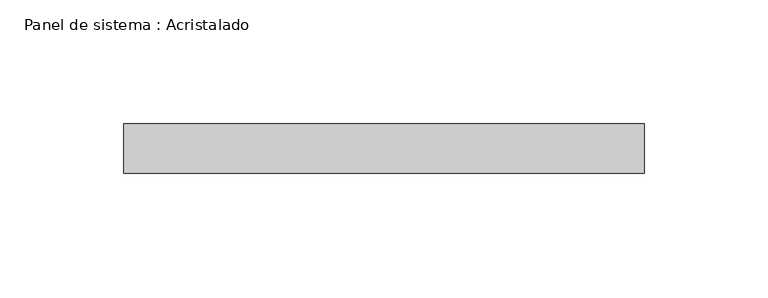
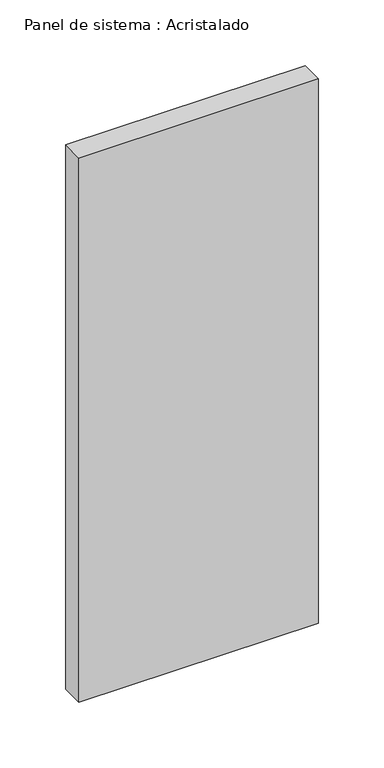
"""IFC4 building model written with IfcOpenShell, lengths in millimetres: plate geometry, Panel de sistema : Acristalado."""

import ifcopenshell
import ifcopenshell.guid

model = None  # the IFC model being written
_history = None  # IfcOwnerHistory: only IFC2X3 demands one
_inside = {}  # id of a spatial element -> (the spatial element, [elements in it])
_under = {}  # id of a project, library or spatial element -> (it, [spatial elements below it])
_declared = {}  # id of a project -> (the project, [libraries it declares])
_typed = {}  # id of a type object -> (the type object, [elements of that type])
_made_of = {}  # id of a material, layer set ... -> (it, [elements and type objects made of it])


def new_model(schema):
    """Start an empty IFC model of exactly this schema.

    Asked for "IFC4X3", IfcOpenShell would pick the latest addendum, in which some entities
    have other attributes; the version numbers below select the first issue.
    IFC2X3 requires an IfcOwnerHistory on every rooted entity: one is made here for all.
    """
    global model, _history
    if schema == "IFC4X3":
        model = ifcopenshell.file(schema_version=(4, 3, 0, 0))
    else:
        model = ifcopenshell.file(schema=schema)
    _inside.clear()
    _under.clear()
    _declared.clear()
    _typed.clear()
    _made_of.clear()
    _history = None
    if model.schema == "IFC2X3":
        org = make("IfcOrganization", Name="unknown")
        user = make(
            "IfcPersonAndOrganization",
            ThePerson=make("IfcPerson", FamilyName="unknown"),
            TheOrganization=org,
        )
        app = make(
            "IfcApplication",
            ApplicationDeveloper=org,
            Version="unknown",
            ApplicationFullName="unknown",
            ApplicationIdentifier="unknown",
        )
        _history = make(
            "IfcOwnerHistory",
            OwningUser=user,
            OwningApplication=app,
            ChangeAction="ADDED",
            CreationDate=0,
        )
    return model


def make(cls, **values):
    """One entity of the class cls with the attributes given. An attribute that is None is left unset."""
    return model.create_entity(
        cls, **{name: value for name, value in values.items() if value is not None}
    )


def rooted(cls, **values):
    """An entity with a GlobalId (a new one), such as an element, a storey or a relation."""
    return make(cls, GlobalId=ifcopenshell.guid.new(), OwnerHistory=_history, **values)


def si_unit(unit_type, name, prefix=None):
    """IfcSIUnit, for example si_unit("LENGTHUNIT", "METRE", prefix="MILLI")."""
    return make("IfcSIUnit", UnitType=unit_type, Prefix=prefix, Name=name)


def assignment(units):
    """IfcUnitAssignment: the units of a project."""
    return None if units is None else make("IfcUnitAssignment", Units=units)


def point(xyz):
    """IfcCartesianPoint."""
    return None if xyz is None else make("IfcCartesianPoint", Coordinates=xyz)


def direction(xyz):
    """IfcDirection."""
    return None if xyz is None else make("IfcDirection", DirectionRatios=xyz)


def frame(location, z_axis=None, x_axis=None):
    """IfcAxis2Placement3D, a coordinate frame: its origin and axes. An axis left out is left unset."""
    return make(
        "IfcAxis2Placement3D",
        Location=point(location),
        Axis=direction(z_axis),
        RefDirection=direction(x_axis),
    )


def origin():
    """The frame at (0, 0, 0) with its axes left unset."""
    return frame((0.0, 0.0, 0.0))


def origin_with_axes():
    """The frame at (0, 0, 0) with the z axis (0, 0, 1) and the x axis (1, 0, 0) written out."""
    return frame((0.0, 0.0, 0.0), z_axis=(0.0, 0.0, 1.0), x_axis=(1.0, 0.0, 0.0))


def place(relative_to, where):
    """IfcLocalPlacement: puts the frame where relative to a parent placement (None: the world)."""
    return make(
        "IfcLocalPlacement", PlacementRelTo=relative_to, RelativePlacement=where
    )


def context(
    kind, dimensions, precision=None, world=None, true_north=None, identifier=None
):
    """IfcGeometricRepresentationContext, for example the 3D "Model" context."""
    return make(
        "IfcGeometricRepresentationContext",
        ContextIdentifier=identifier,
        ContextType=kind,
        CoordinateSpaceDimension=dimensions,
        Precision=precision,
        WorldCoordinateSystem=world,
        TrueNorth=true_north,
    )


def project(units=None, contexts=None):
    """IfcProject with its units and contexts."""
    return rooted(
        "IfcProject",
        Name="project",
        RepresentationContexts=contexts,
        UnitsInContext=assignment(units),
    )


def spatial(cls, under=None, at=None, **own):
    """A site, building, storey or space (cls), placed at a placement, below another one or the project."""
    s = rooted(cls, ObjectPlacement=at, **own)
    if under is not None:
        _under.setdefault(under.id(), (under, []))[1].append(s)
    return s


def polyline(points):
    """IfcPolyline through the points."""
    return make("IfcPolyline", Points=[point(p) for p in points])


def outline(outer, holes=None, kind="AREA"):
    """IfcArbitraryClosedProfileDef: a profile drawn as a closed curve; with holes, ...WithVoids."""
    if holes is None:
        return make("IfcArbitraryClosedProfileDef", ProfileType=kind, OuterCurve=outer)
    return make(
        "IfcArbitraryProfileDefWithVoids",
        ProfileType=kind,
        OuterCurve=outer,
        InnerCurves=holes,
    )


def extrude(swept, where, along, depth):
    """IfcExtrudedAreaSolid: the profile swept, set in the frame where, extruded along a direction by depth."""
    return make(
        "IfcExtrudedAreaSolid",
        SweptArea=swept,
        Position=where,
        ExtrudedDirection=direction(along),
        Depth=depth,
    )


def shape(context_of_items, identifier, shape_type, items):
    """IfcShapeRepresentation: the items that make up one representation, for example the "Body"."""
    return make(
        "IfcShapeRepresentation",
        ContextOfItems=context_of_items,
        RepresentationIdentifier=identifier,
        RepresentationType=shape_type,
        Items=items,
    )


def source(mapping_origin, context_of_items, identifier, shape_type, items):
    """IfcRepresentationMap: a shape defined once, which mapped items show again and again."""
    return make(
        "IfcRepresentationMap",
        MappingOrigin=mapping_origin,
        MappedRepresentation=shape(context_of_items, identifier, shape_type, items),
    )


def transform(
    local_origin,
    x_axis=None,
    y_axis=None,
    z_axis=None,
    scale=None,
    scale2=None,
    scale3=None,
    uniform=True,
):
    """IfcCartesianTransformationOperator3D, or its non-uniform kind. x_axis, y_axis, z_axis: its Axis1, 2, 3."""
    if uniform:
        return make(
            "IfcCartesianTransformationOperator3D",
            Axis1=direction(x_axis),
            Axis2=direction(y_axis),
            LocalOrigin=point(local_origin),
            Scale=scale,
            Axis3=direction(z_axis),
        )
    return make(
        "IfcCartesianTransformationOperator3DnonUniform",
        Axis1=direction(x_axis),
        Axis2=direction(y_axis),
        LocalOrigin=point(local_origin),
        Scale=scale,
        Axis3=direction(z_axis),
        Scale2=scale2,
        Scale3=scale3,
    )


def mapped(mapping_source, mapping_target):
    """IfcMappedItem: shows the shape of a source again, moved by a transform."""
    return make(
        "IfcMappedItem", MappingSource=mapping_source, MappingTarget=mapping_target
    )


def made_of(thing, what):
    """Note that an element or type object is made of a material, layer set ...; save() writes the relation."""
    if what is not None:
        _made_of.setdefault(what.id(), (what, []))[1].append(thing)
    return thing


def element(
    cls,
    number,
    at=None,
    inside=None,
    cuts=None,
    type_object=None,
    material=None,
    context=None,
    identifier="Body",
    shape_type=None,
    held_by="IfcProductDefinitionShape",
    body=None,
    shapes=None,
    **own,
):
    """One element of the class cls, such as IfcWall. Its Tag is "e" and its number.

    at: its placement. inside: the storey or other place that contains it. cuts: it is an
    opening in that element (IfcRelVoidsElement). A single representation is given by context,
    identifier, shape_type and body (its items); several are given by shapes. held_by: the class
    of the entity that holds the representations. save() writes the other relations.
    """
    e = rooted(cls, Tag="e%d" % number, ObjectPlacement=at, **own)
    if body is not None:
        shapes = [shape(context, identifier, shape_type, body)]
    if shapes is not None:
        e.Representation = make(held_by, Representations=shapes)
    if inside is not None:
        _inside.setdefault(inside.id(), (inside, []))[1].append(e)
    if cuts is not None:
        rooted(
            "IfcRelVoidsElement", RelatingBuildingElement=cuts, RelatedOpeningElement=e
        )
    if type_object is not None:
        _typed.setdefault(type_object.id(), (type_object, []))[1].append(e)
    return made_of(e, material)


def aggregate(whole, parts):
    """IfcRelAggregates: a whole, such as a stair, and the parts it consists of."""
    return rooted("IfcRelAggregates", RelatingObject=whole, RelatedObjects=parts)


def save(model, path):
    """Write the relations noted so far, then the file.

    IfcRelAggregates (storeys below a building ...), IfcRelContainedInSpatialStructure (elements
    in a storey), IfcRelDefinesByType, IfcRelAssociatesMaterial and IfcRelDeclares: one each for
    every whole, place, type object, material and project.
    """
    for whole, parts in _under.values():
        aggregate(whole, parts)
    for where, things in _inside.values():
        rooted(
            "IfcRelContainedInSpatialStructure",
            RelatedElements=things,
            RelatingStructure=where,
        )
    for kind, things in _typed.values():
        rooted("IfcRelDefinesByType", RelatedObjects=things, RelatingType=kind)
    for what, things in _made_of.values():
        rooted("IfcRelAssociatesMaterial", RelatedObjects=things, RelatingMaterial=what)
    for by, libraries in _declared.values():
        rooted("IfcRelDeclares", RelatingContext=by, RelatedDefinitions=libraries)
    model.write(path)


def panel_de_sistema_acristalado_014b3eb5(model_context):
    return source(origin(), model_context, "Body", "SweptSolid", [
        extrude(outline(polyline([(105.0, -10.0), (-105.0, -10.0), (-105.0, 10.0), (105.0, 10.0), (105.0, -10.0)])), origin_with_axes(), (0.0, 0.0, 1.0), 505.0),
    ])


if __name__ == "__main__":
    model = new_model("IFC4")
    model_context = context("Model", 3, world=origin())
    ifc_project = project(units=[si_unit("LENGTHUNIT", "METRE", prefix="MILLI")], contexts=[model_context])
    site = spatial("IfcSite", under=ifc_project)
    building = spatial("IfcBuilding", under=site)
    placement = place(None, origin())
    panel_de_sistema_acristalado_shape = panel_de_sistema_acristalado_014b3eb5(model_context)
    element("IfcPlate", 1, ObjectType="Panel de sistema : Acristalado", at=placement, inside=building, context=model_context, shape_type="MappedRepresentation", body=[
        mapped(panel_de_sistema_acristalado_shape, transform((0.0, 0.0, 0.0), x_axis=(1.0, 0.0, 0.0), y_axis=(0.0, 1.0, 0.0), z_axis=(0.0, 0.0, 1.0))),
    ])
    save(model, "model.ifc")
